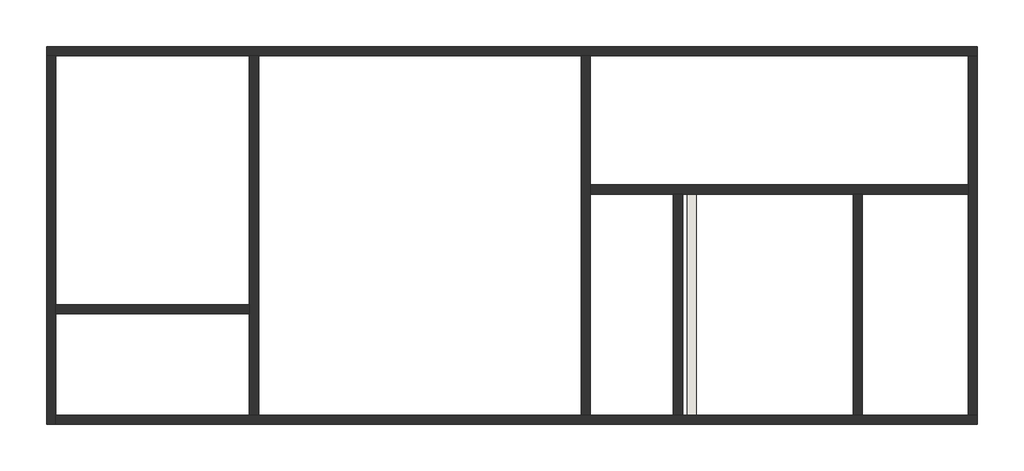
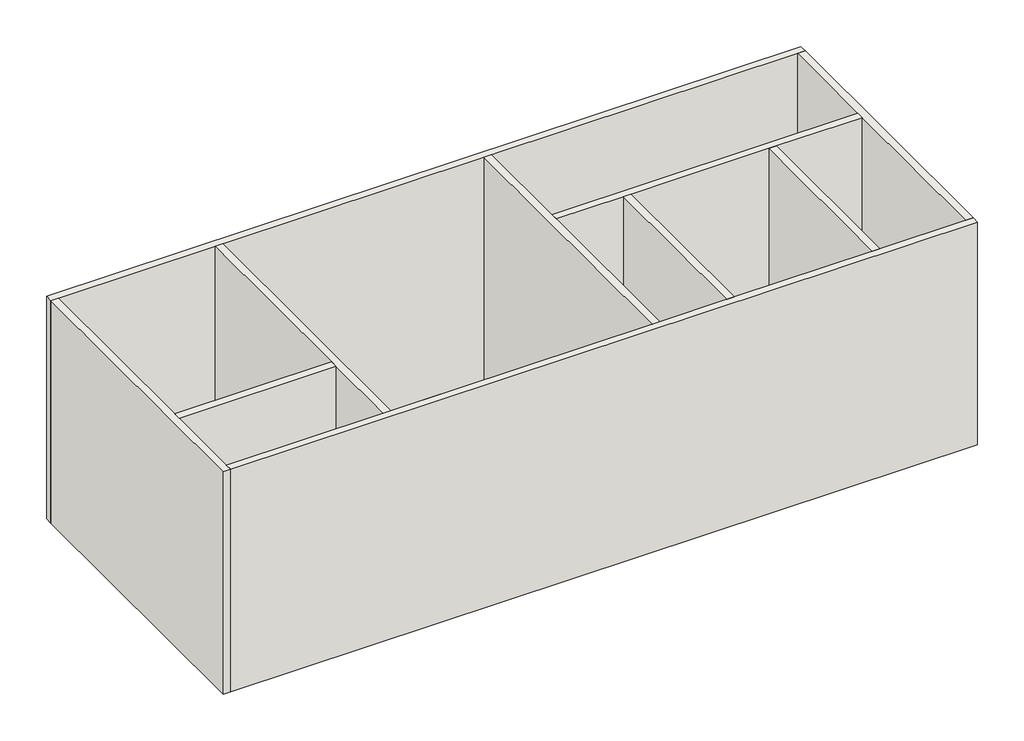
# One storey: 11 walls.
"""IFC4 building model written with IfcOpenShell, lengths in millimetres."""

from ifc_helpers import new_model, si_unit, frame, origin, place, context, project, spatial, polyline, outline, extrude, faceted_brep, element, save

model = new_model("IFC4")

# Units and contexts
model_context = context("Model", 3, world=origin())
ifc_project = project(units=[si_unit("LENGTHUNIT", "METRE", prefix="MILLI")], contexts=[model_context])

# Site, building, storey
site = spatial("IfcSite", under=ifc_project)
building = spatial("IfcBuilding", under=site)
storey = spatial("IfcBuildingStorey", under=building, Elevation=-300.0)

# Walls
placement = place(None, origin())
element("IfcWall", 1, ObjectType="Generico - 200 mm", at=placement, inside=storey, context=model_context, shape_type="Brep", body=[
    faceted_brep([(-15663.9357209, 6553.5545602, -300.0), (-15463.9357209, 6553.5545602, -300.0), (-11263.9357209, 6553.5545602, -300.0), (-11063.9357209, 6553.5545602, -300.0), (-4063.9357209, 6553.5545602, -300.0), (-3863.9357209, 6553.5545602, -300.0), (4336.0642791, 6553.5545602, -300.0), (4536.0642791, 6553.5545602, -300.0), (4536.0642791, 6553.5545602, 6000.0), (4336.0642791, 6553.5545602, 6000.0), (-3863.9357209, 6553.5545602, 6000.0), (-4063.9357209, 6553.5545602, 6000.0), (-11063.9357209, 6553.5545602, 6000.0), (-11263.9357209, 6553.5545602, 6000.0), (-15463.9357209, 6553.5545602, 6000.0), (-15663.9357209, 6553.5545602, 6000.0), (-15663.9357209, 6753.5545602, -300.0), (-15663.9357209, 6753.5545602, 6000.0), (4536.0642791, 6753.5545602, 6000.0), (4536.0642791, 6753.5545602, -300.0)], [[[0, 1, 2, 3, 4, 5, 6, 7, 8, 9, 10, 11, 12, 13, 14, 15]], [[16, 17, 18, 19]], [[7, 6, 5, 4, 3, 2, 1, 0, 16, 19]], [[15, 14, 13, 12, 11, 10, 9, 8, 18, 17]], [[0, 15, 17, 16]], [[8, 7, 19, 18]]]),
])
element("IfcWall", 2, ObjectType="Generico - 200 mm", at=placement, inside=storey, context=model_context, shape_type="Brep", body=[
    faceted_brep([(-15663.9357209, 6553.5545602, -300.0), (-15663.9357209, -1446.4454398, -300.0), (-15663.9357209, -1446.4454398, 6000.0), (-15663.9357209, 6553.5545602, 6000.0), (-15463.9357209, 6553.5545602, -300.0), (-15463.9357209, 6553.5545602, 6000.0), (-15463.9357209, 1153.5545602, 6000.0), (-15463.9357209, 953.5545602, 6000.0), (-15463.9357209, -1246.4454398, 6000.0), (-15463.9357209, -1446.4454398, 6000.0), (-15463.9357209, -1446.4454398, -300.0), (-15463.9357209, -1246.4454398, -300.0), (-15463.9357209, 953.5545602, -300.0), (-15463.9357209, 1153.5545602, -300.0)], [[[0, 1, 2, 3]], [[4, 5, 6, 7, 8, 9, 10, 11, 12, 13]], [[1, 0, 4, 13, 12, 11, 10]], [[3, 2, 9, 8, 7, 6, 5]], [[0, 3, 5, 4]], [[2, 1, 10, 9]]]),
])
element("IfcWall", 3, ObjectType="Generico - 200 mm", at=placement, inside=storey, context=model_context, shape_type="Brep", body=[
    faceted_brep([(-15463.9357209, -1446.4454398, -300.0), (4536.0642791, -1446.4454398, -300.0), (4536.0642791, -1446.4454398, 6000.0), (-15463.9357209, -1446.4454398, 6000.0), (-15463.9357209, -1246.4454398, -300.0), (-15463.9357209, -1246.4454398, 6000.0), (-11263.9357209, -1246.4454398, 6000.0), (-11063.9357209, -1246.4454398, 6000.0), (-4063.9357209, -1246.4454398, 6000.0), (-3863.9357209, -1246.4454398, 6000.0), (-2063.9357209, -1246.4454398, 6000.0), (-1863.9357209, -1246.4454398, 6000.0), (1836.0642791, -1246.4454398, 6000.0), (2036.0642791, -1246.4454398, 6000.0), (4336.0642791, -1246.4454398, 6000.0), (4536.0642791, -1246.4454398, 6000.0), (4536.0642791, -1246.4454398, -300.0), (4336.0642791, -1246.4454398, -300.0), (2036.0642791, -1246.4454398, -300.0), (1836.0642791, -1246.4454398, -300.0), (-1563.9357209, -1246.4454398, -300.0), (-1763.9357209, -1246.4454398, -300.0), (-1863.9357209, -1246.4454398, -300.0), (-2063.9357209, -1246.4454398, -300.0), (-3863.9357209, -1246.4454398, -300.0), (-4063.9357209, -1246.4454398, -300.0), (-11063.9357209, -1246.4454398, -300.0), (-11263.9357209, -1246.4454398, -300.0)], [[[0, 1, 2, 3]], [[4, 5, 6, 7, 8, 9, 10, 11, 12, 13, 14, 15, 16, 17, 18, 19, 20, 21, 22, 23, 24, 25, 26, 27]], [[1, 0, 4, 27, 26, 25, 24, 23, 22, 21, 20, 19, 18, 17, 16]], [[3, 2, 15, 14, 13, 12, 11, 10, 9, 8, 7, 6, 5]], [[0, 3, 5, 4]], [[2, 1, 16, 15]]]),
])
element("IfcWall", 4, ObjectType="Generico - 200 mm", at=placement, inside=storey, context=model_context, shape_type="Brep", body=[
    faceted_brep([(4536.0642791, -1246.4454398, -300.0), (4536.0642791, 6553.5545602, -300.0), (4536.0642791, 6553.5545602, 6000.0), (4536.0642791, -1246.4454398, 6000.0), (4336.0642791, -1246.4454398, -300.0), (4336.0642791, -1246.4454398, 6000.0), (4336.0642791, 3553.5545602, 6000.0), (4336.0642791, 3753.5545602, 6000.0), (4336.0642791, 6553.5545602, 6000.0), (4336.0642791, 6553.5545602, -300.0), (4336.0642791, 3753.5545602, -300.0), (4336.0642791, 3553.5545602, -300.0)], [[[0, 1, 2, 3]], [[4, 5, 6, 7, 8, 9, 10, 11]], [[1, 0, 4, 11, 10, 9]], [[3, 2, 8, 7, 6, 5]], [[2, 1, 9, 8]], [[0, 3, 5, 4]]]),
])
element("IfcWall", 5, ObjectType="Generico - 200 mm", at=placement, inside=storey, context=model_context, shape_type="Brep", body=[
    faceted_brep([(-11263.9357209, 6553.5545602, -300.0), (-11263.9357209, 1153.5545602, -300.0), (-11263.9357209, 953.5545602, -300.0), (-11263.9357209, -1246.4454398, -300.0), (-11263.9357209, -1246.4454398, 6000.0), (-11263.9357209, 953.5545602, 6000.0), (-11263.9357209, 1153.5545602, 6000.0), (-11263.9357209, 6553.5545602, 6000.0), (-11063.9357209, 6553.5545602, -300.0), (-11063.9357209, 6553.5545602, 6000.0), (-11063.9357209, -1246.4454398, 6000.0), (-11063.9357209, -1246.4454398, -300.0)], [[[0, 1, 2, 3, 4, 5, 6, 7]], [[8, 9, 10, 11]], [[3, 2, 1, 0, 8, 11]], [[7, 6, 5, 4, 10, 9]], [[4, 3, 11, 10]], [[0, 7, 9, 8]]]),
])
element("IfcWall", 6, ObjectType="Generico - 200 mm", at=placement, inside=storey, context=model_context, shape_type="SweptSolid", body=[
    extrude(outline(polyline([(-11263.9357209, 953.5545602), (-15463.9357209, 953.5545602), (-15463.9357209, 1153.5545602), (-11263.9357209, 1153.5545602), (-11263.9357209, 953.5545602)])), frame((0.0, 0.0, -300.0), z_axis=(0.0, 0.0, 1.0), x_axis=(1.0, 0.0, 0.0)), (0.0, 0.0, 1.0), 6300.0),
])
element("IfcWall", 7, ObjectType="Generico - 200 mm", at=placement, inside=storey, context=model_context, shape_type="Brep", body=[
    faceted_brep([(-4063.9357209, 6553.5545602, -300.0), (-4063.9357209, -1246.4454398, -300.0), (-4063.9357209, -1246.4454398, 6000.0), (-4063.9357209, 6553.5545602, 6000.0), (-3863.9357209, 6553.5545602, -300.0), (-3863.9357209, 6553.5545602, 6000.0), (-3863.9357209, 3753.5545602, 6000.0), (-3863.9357209, 3553.5545602, 6000.0), (-3863.9357209, -1246.4454398, 6000.0), (-3863.9357209, -1246.4454398, -300.0), (-3863.9357209, 3553.5545602, -300.0), (-3863.9357209, 3753.5545602, -300.0)], [[[0, 1, 2, 3]], [[4, 5, 6, 7, 8, 9, 10, 11]], [[1, 0, 4, 11, 10, 9]], [[3, 2, 8, 7, 6, 5]], [[0, 3, 5, 4]], [[2, 1, 9, 8]]]),
])
element("IfcWall", 8, ObjectType="Generico - 200 mm", at=placement, inside=storey, context=model_context, shape_type="Brep", body=[
    faceted_brep([(-3863.9357209, 3553.5545602, -300.0), (-2063.9357209, 3553.5545602, -300.0), (-1863.9357209, 3553.5545602, -300.0), (-1763.9357209, 3553.5545602, -300.0), (-1563.9357209, 3553.5545602, -300.0), (1836.0642791, 3553.5545602, -300.0), (2036.0642791, 3553.5545602, -300.0), (4336.0642791, 3553.5545602, -300.0), (4336.0642791, 3553.5545602, 6000.0), (2036.0642791, 3553.5545602, 6000.0), (1836.0642791, 3553.5545602, 6000.0), (-1863.9357209, 3553.5545602, 6000.0), (-2063.9357209, 3553.5545602, 6000.0), (-3863.9357209, 3553.5545602, 6000.0), (-3863.9357209, 3753.5545602, -300.0), (-3863.9357209, 3753.5545602, 6000.0), (4336.0642791, 3753.5545602, 6000.0), (4336.0642791, 3753.5545602, -300.0)], [[[0, 1, 2, 3, 4, 5, 6, 7, 8, 9, 10, 11, 12, 13]], [[14, 15, 16, 17]], [[7, 6, 5, 4, 3, 2, 1, 0, 14, 17]], [[13, 12, 11, 10, 9, 8, 16, 15]], [[8, 7, 17, 16]], [[0, 13, 15, 14]]]),
])
element("IfcWall", 9, ObjectType="Generico - 200 mm", at=placement, inside=storey, context=model_context, shape_type="SweptSolid", body=[
    extrude(outline(polyline([(-1763.9357209, -1246.4454398), (-1763.9357209, 3553.5545602), (-1563.9357209, 3553.5545602), (-1563.9357209, -1246.4454398), (-1763.9357209, -1246.4454398)])), frame((0.0, 0.0, -300.0), z_axis=(0.0, 0.0, 1.0), x_axis=(1.0, 0.0, 0.0)), (0.0, 0.0, 1.0), 300.0),
])
element("IfcWall", 10, ObjectType="Generico - 200 mm", at=placement, inside=storey, context=model_context, shape_type="SweptSolid", body=[
    extrude(outline(polyline([(-2063.9357209, -1246.4454398), (-2063.9357209, 3553.5545602), (-1863.9357209, 3553.5545602), (-1863.9357209, -1246.4454398), (-2063.9357209, -1246.4454398)])), frame((0.0, 0.0, -300.0), z_axis=(0.0, 0.0, 1.0), x_axis=(1.0, 0.0, 0.0)), (0.0, 0.0, 1.0), 6300.0),
])
element("IfcWall", 11, ObjectType="Generico - 200 mm", at=placement, inside=storey, context=model_context, shape_type="SweptSolid", body=[
    extrude(outline(polyline([(1836.0642791, -1246.4454398), (1836.0642791, 3553.5545602), (2036.0642791, 3553.5545602), (2036.0642791, -1246.4454398), (1836.0642791, -1246.4454398)])), frame((0.0, 0.0, -300.0), z_axis=(0.0, 0.0, 1.0), x_axis=(1.0, 0.0, 0.0)), (0.0, 0.0, 1.0), 6300.0),
])

save(model, "model.ifc")
